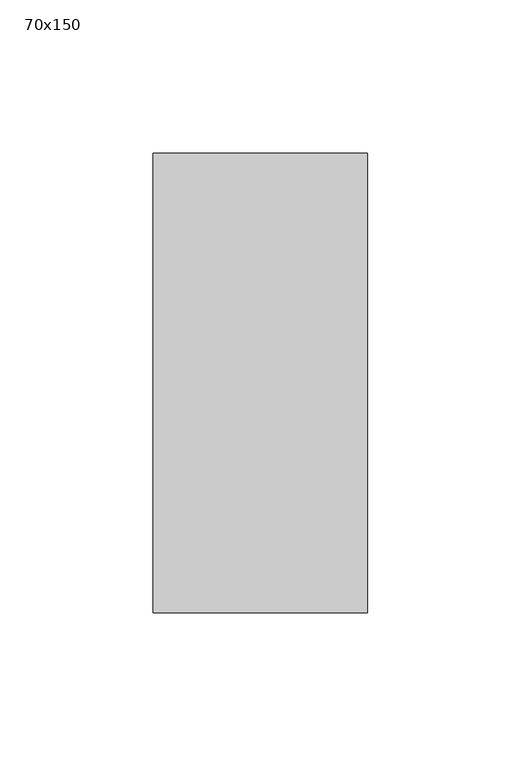
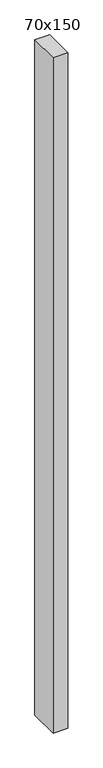
"""IFC4 building model written with IfcOpenShell, lengths in millimetres: member geometry, 70x150."""

from ifc_helpers import new_model, si_unit, frame, origin, place, context, project, spatial, polyline, outline, extrude, source, transform, mapped, element, save


def member_70x150_d36ba8ce(model_context):
    return source(origin(), model_context, "Body", "SweptSolid", [
        extrude(outline(polyline([(35.0, 75.0), (35.0, -75.0), (-35.0, -75.0), (-35.0, 75.0), (35.0, 75.0)])), frame((0.0, 0.0, -3395.0), z_axis=(0.0, 0.0, 1.0), x_axis=(1.0, 0.0, 0.0)), (0.0, 0.0, 1.0), 3395.0),
    ])


if __name__ == "__main__":
    model = new_model("IFC4")
    model_context = context("Model", 3, world=origin())
    ifc_project = project(units=[si_unit("LENGTHUNIT", "METRE", prefix="MILLI")], contexts=[model_context])
    site = spatial("IfcSite", under=ifc_project)
    building = spatial("IfcBuilding", under=site)
    placement = place(None, origin())
    member_70x150_shape = member_70x150_d36ba8ce(model_context)
    element("IfcMember", 1, ObjectType="70x150", at=placement, inside=building, context=model_context, shape_type="MappedRepresentation", body=[
        mapped(member_70x150_shape, transform((0.0, 0.0, 0.0), x_axis=(1.0, 0.0, 0.0), y_axis=(0.0, 1.0, 0.0), z_axis=(0.0, 0.0, 1.0))),
    ])
    save(model, "model.ifc")
